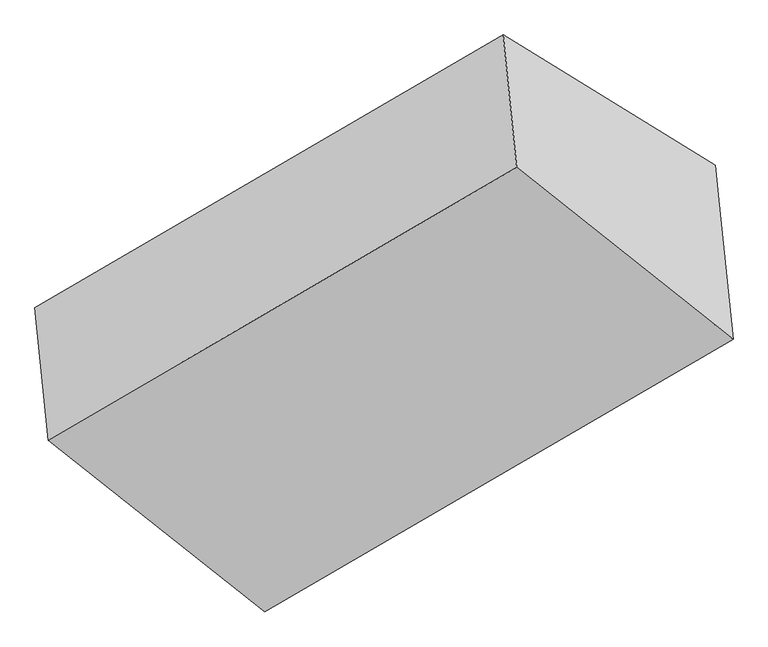
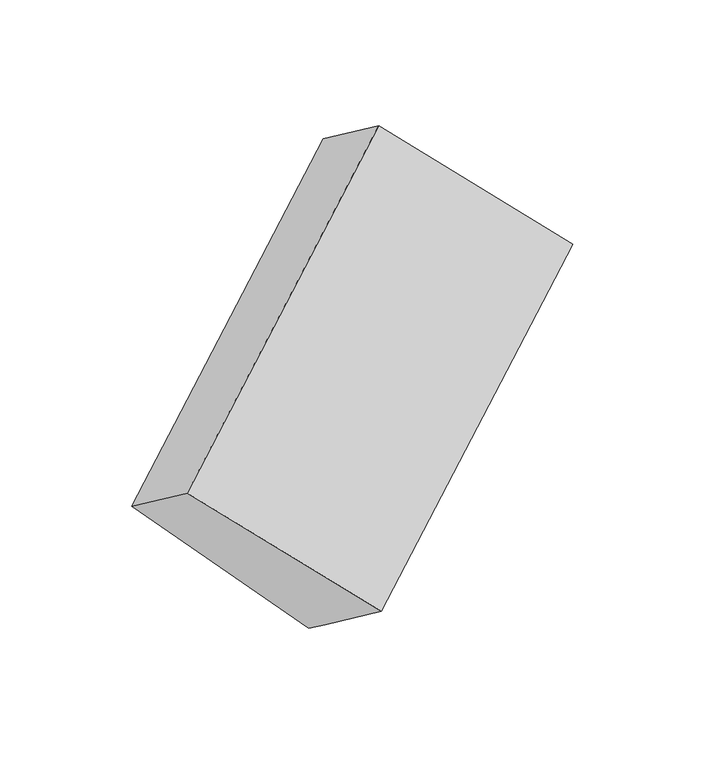
"""IFC4 building model written with IfcOpenShell, lengths in millimetres: proxy geometry."""

from ifc_helpers import new_model, si_unit, origin, place, context, project, spatial, faceted_brep, source, transform, mapped, element, save


def generic_models_8d87bedd(model_context):
    return source(origin(), model_context, "Body", "Brep", [
        faceted_brep([(-3788.508351, -1570.8372242, 1601.9081547), (-3750.214522, -1948.7829818, 1881.7085422), (-2414.5138568, -1171.5815486, 2741.5544723), (-2452.8076858, -793.635791, 2461.7540849), (-3183.6742254, -1942.689736, 1016.8428679), (-1847.9735602, -1165.4883029, 1876.688798), (-3172.3111334, -2054.8392004, 1099.8692359), (-1836.6104682, -1277.6377672, 1959.715166), (-3133.4425311, -2438.4577543, 1383.8693017), (-1797.741866, -1661.2563212, 2243.7152318)], [[[0, 1, 2, 3]], [[4, 0, 5]], [[6, 4, 5, 7]], [[8, 6, 7, 9]], [[1, 8, 9, 2]], [[7, 5, 3, 2, 9]], [[1, 0, 4, 6, 8]], [[3, 5, 0]]]),
    ])


if __name__ == "__main__":
    model = new_model("IFC4")
    model_context = context("Model", 3, world=origin())
    ifc_project = project(units=[si_unit("LENGTHUNIT", "METRE", prefix="MILLI")], contexts=[model_context])
    site = spatial("IfcSite", under=ifc_project)
    building = spatial("IfcBuilding", under=site)
    placement = place(None, origin())
    generic_models_shape = generic_models_8d87bedd(model_context)
    element("IfcBuildingElementProxy", 1, Name="Generic Models", at=placement, inside=building, context=model_context, shape_type="MappedRepresentation", body=[
        mapped(generic_models_shape, transform((0.0, 0.0, 0.0), x_axis=(1.0, 0.0, 0.0), y_axis=(0.0, 1.0, 0.0), z_axis=(0.0, 0.0, 1.0))),
    ])
    save(model, "model.ifc")
